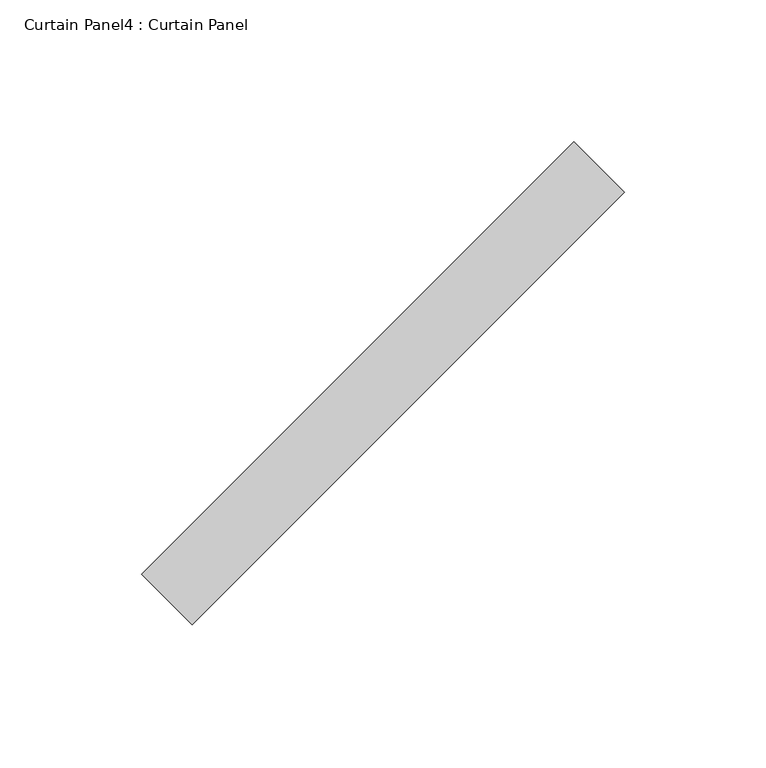
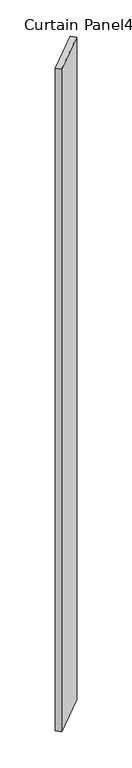
"""IFC4 building model written with IfcOpenShell, lengths in millimetres: plate geometry, Curtain Panel4 : Curtain Panel."""

from ifc_helpers import new_model, si_unit, frame, origin, place, context, project, spatial, polyline, outline, extrude, source, transform, mapped, element, save


def curtain_panel4_curtain_panel_3a56c4fb(model_context):
    return source(origin(), model_context, "Body", "SweptSolid", [
        extrude(outline(polyline([(-657.9967093, 2361.5882468), (-810.6610633, 2208.9238928), (-828.6215756, 2226.884405), (-675.9572215, 2379.5487591), (-657.9967093, 2361.5882468)])), frame((0.0, 0.0, -655.9548836), z_axis=(0.0, 0.0, 1.0), x_axis=(1.0, 0.0, 0.0)), (0.0, 0.0, 1.0), 3048.0),
    ])


if __name__ == "__main__":
    model = new_model("IFC4")
    model_context = context("Model", 3, world=origin())
    ifc_project = project(units=[si_unit("LENGTHUNIT", "METRE", prefix="MILLI")], contexts=[model_context])
    site = spatial("IfcSite", under=ifc_project)
    building = spatial("IfcBuilding", under=site)
    placement = place(None, origin())
    curtain_panel4_curtain_panel_shape = curtain_panel4_curtain_panel_3a56c4fb(model_context)
    element("IfcPlate", 1, ObjectType="Curtain Panel4 : Curtain Panel", at=placement, inside=building, context=model_context, shape_type="MappedRepresentation", body=[
        mapped(curtain_panel4_curtain_panel_shape, transform((0.0, 0.0, 0.0), x_axis=(1.0, 0.0, 0.0), y_axis=(0.0, 1.0, 0.0), z_axis=(0.0, 0.0, 1.0))),
    ])
    save(model, "model.ifc")
